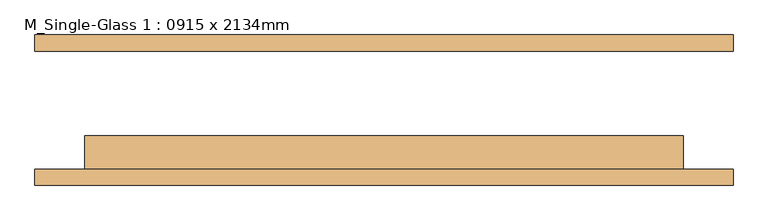
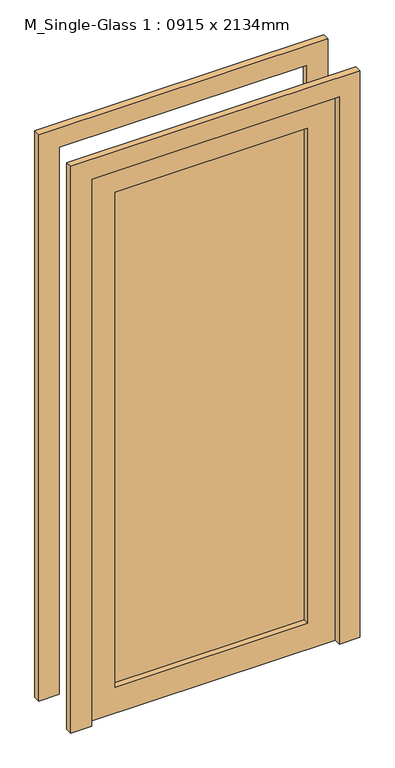
"""IFC4 building model written with IfcOpenShell, lengths in millimetres: door geometry, M_Single-Glass 1 : 0915 x 2134mm."""

from ifc_helpers import new_model, si_unit, frame, origin, place, context, project, spatial, polyline, outline, extrude, source, transform, mapped, element, save


def m_single_glass_1_0915_x_2134mm_5d753fa3(model_context):
    return source(origin(), model_context, "Body", "SweptSolid", [
        extrude(outline(polyline([(2134.0, 457.5), (0.0, 457.5), (0.0, 533.5), (2210.0, 533.5), (2210.0, -533.5), (0.0, -533.5), (0.0, -457.5), (2134.0, -457.5), (2134.0, 457.5)])), frame((0.0, 90.0, 0.0), z_axis=(0.0, 1.0, 0.0), x_axis=(0.0, 0.0, 1.0)), (0.0, 0.0, 1.0), 25.0),
        extrude(outline(polyline([(2134.0, 457.5), (0.0, 457.5), (0.0, 533.5), (2210.0, 533.5), (2210.0, -533.5), (0.0, -533.5), (0.0, -457.5), (2134.0, -457.5), (2134.0, 457.5)])), frame((0.0, -115.0, 0.0), z_axis=(0.0, 1.0, 0.0), x_axis=(0.0, 0.0, 1.0)), (0.0, 0.0, 1.0), 25.0),
        extrude(outline(polyline([(355.5, -61.425), (355.5, -67.775), (-355.5, -67.775), (-355.5, -61.425), (355.5, -61.425)])), frame((0.0, 0.0, 102.0), z_axis=(0.0, 0.0, 1.0), x_axis=(1.0, 0.0, 0.0)), (0.0, 0.0, 1.0), 1930.0),
        extrude(outline(polyline([(2134.0, 457.5), (2134.0, -457.5), (0.0, -457.5), (0.0, 457.5), (2134.0, 457.5)]), holes=[polyline([(2032.0, -355.5), (2032.0, 355.5), (102.0, 355.5), (102.0, -355.5), (2032.0, -355.5)])]), frame((0.0, -90.0, 0.0), z_axis=(0.0, 1.0, 0.0), x_axis=(0.0, 0.0, 1.0)), (0.0, 0.0, 1.0), 51.0),
    ])


if __name__ == "__main__":
    model = new_model("IFC4")
    model_context = context("Model", 3, world=origin())
    ifc_project = project(units=[si_unit("LENGTHUNIT", "METRE", prefix="MILLI")], contexts=[model_context])
    site = spatial("IfcSite", under=ifc_project)
    building = spatial("IfcBuilding", under=site)
    placement = place(None, origin())
    m_single_glass_1_0915_x_2134mm_shape = m_single_glass_1_0915_x_2134mm_5d753fa3(model_context)
    element("IfcDoor", 1, ObjectType="M_Single-Glass 1 : 0915 x 2134mm", at=placement, inside=building, context=model_context, shape_type="MappedRepresentation", body=[
        mapped(m_single_glass_1_0915_x_2134mm_shape, transform((0.0, 0.0, 0.0), x_axis=(1.0, 0.0, 0.0), y_axis=(0.0, 1.0, 0.0), z_axis=(0.0, 0.0, 1.0))),
    ])
    save(model, "model.ifc")
